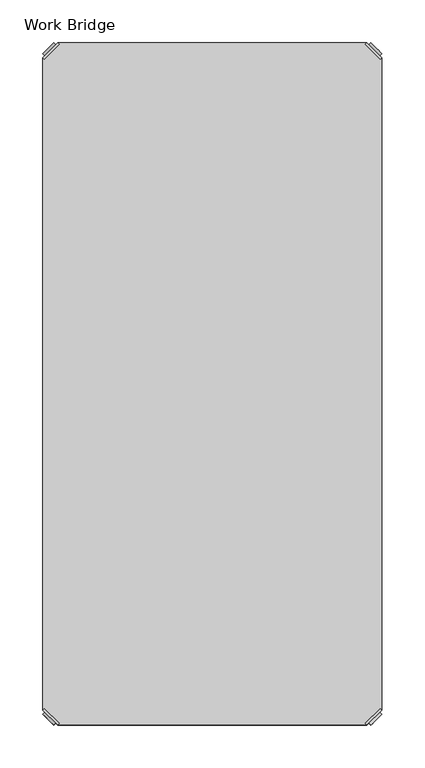
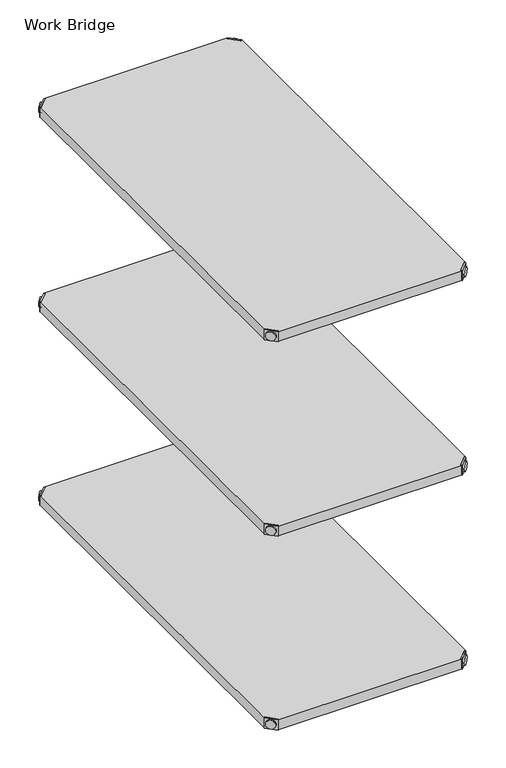
"""IFC4 building model written with IfcOpenShell, lengths in millimetres: furniture geometry, Work Bridge."""

from ifc_helpers import new_model, si_unit, frame, origin, place, context, project, spatial, polyline, circle_curve, outline, extrude, source, transform, mapped, element, save
from ifc_brep_helpers import plane_surface, cylinder_surface, advanced_brep


def work_bridge_ccaf46c0(model_context):
    return source(origin(), model_context, "Body", "SolidModel", [
        advanced_brep(
        [(1623.7077642, -801.2920969, 520.2936), (1640.9306674, -818.515, 520.2936), (1642.7267186, -816.7189488, 520.2936), (1625.5038155, -799.4960456, 520.2936), (1623.7077642, -801.2920969, 498.9576), (1640.9306674, -818.515, 498.9576), (1626.0330365, -803.6173691, 510.1336), (1638.6053951, -816.1897277, 510.1336), (1651.4598164, -773.5400447, 499.9736), (1625.5038155, -799.4960456, 499.9736), (1642.7267186, -816.7189488, 499.9736), (1668.6827196, -790.7629478, 499.9736), (1651.4598164, -773.5400447, 498.9576), (1668.6827196, -790.7629478, 498.9576), (1636.2905156, -818.5046073, 510.1336), (1623.718157, -805.9322487, 510.1336)],
        [
            (0, 1),
            (1, 2),
            (2, 3),
            (3, 0),
            (0, 4),
            (4, 5),
            (5, 1),
            (6, 7, circle_curve(frame((1632.3192158, -809.9035484, 510.1336), z_axis=(0.7071067811865446, 0.7071067811865505, 0.0), x_axis=(-0.7071067811865505, 0.7071067811865446, 0.0)), 8.89)),
            (7, 6, circle_curve(frame((1632.3192158, -809.9035484, 510.1336), z_axis=(0.7071067811865446, 0.7071067811865505, 0.0), x_axis=(-0.7071067811865505, 0.7071067811865446, 0.0)), 8.89)),
            (8, 9),
            (9, 10),
            (10, 11),
            (11, 8, circle_curve(frame((1660.071268, -782.1514963, 499.9736), z_axis=(0.0, 0.0, 1.0), x_axis=(1.0, 0.0, 0.0)), 12.1784316)),
            (12, 13, circle_curve(frame((1660.071268, -782.1514963, 498.9576), z_axis=(0.0, 0.0, -1.0), x_axis=(1.0, 0.0, 0.0)), 12.1784316)),
            (13, 5),
            (4, 12),
            (14, 15, circle_curve(frame((1630.0043363, -812.218428, 510.1336), z_axis=(-0.7071067811865446, -0.7071067811865505, 0.0), x_axis=(-0.7071067811865505, 0.7071067811865446, 0.0)), 8.89)),
            (15, 14, circle_curve(frame((1630.0043363, -812.218428, 510.1336), z_axis=(-0.7071067811865446, -0.7071067811865505, 0.0), x_axis=(-0.7071067811865505, 0.7071067811865446, 0.0)), 8.89)),
            (15, 6),
            (7, 14),
            (2, 10),
            (9, 3),
            (11, 13),
            (12, 8),
        ],
        [
            plane_surface(frame((1601.5097771, -823.490084, 520.2936), z_axis=(0.0, 0.0, 1.0000000000000002), x_axis=(0.7071067811865436, 0.7071067811865516, 0.0))),
            plane_surface(frame((1640.9306674, -818.515, 520.2936), z_axis=(-0.7071067811865447, -0.7071067811865503, 0.0), x_axis=(0.0, 0.0, -1.0))),
            plane_surface(frame((1672.2496996, -782.1514963, 499.9736), z_axis=(0.0, 0.0, 1.0), x_axis=(0.0, -1.0, 0.0))),
            plane_surface(frame((1672.2496996, -782.1514963, 498.9576), z_axis=(0.0, 0.0, -1.0), x_axis=(0.0, 1.0, 0.0))),
            plane_surface(frame((1623.718157, -805.9322487, 510.1336), z_axis=(-0.7071067811865446, -0.7071067811865505, 0.0), x_axis=(0.0, 0.0, 1.0))),
            cylinder_surface(frame((1632.3192158, -809.9035484, 510.1336), z_axis=(-0.7071067811865446, -0.7071067811865505, 0.0), x_axis=(-0.7071067811865505, 0.7071067811865446, 0.0)), 8.89),
            plane_surface(frame((1625.5038155, -799.4960456, 520.2936), z_axis=(0.7071067811865447, 0.7071067811865503, 0.0), x_axis=(0.0, 0.0, -1.0))),
            cylinder_surface(frame((1660.071268, -782.1514963, 498.9576), z_axis=(0.0, 0.0, 1.0), x_axis=(1.0, 0.0, 0.0)), 12.1784316),
            plane_surface(frame((1623.7077642, -801.2920969, 520.2936), z_axis=(-0.7071067811865516, 0.7071067811865436, 0.0), x_axis=(0.0, 0.0, -1.0))),
            plane_surface(frame((1642.7267186, -816.7189488, 520.2936), z_axis=(0.7071067811865513, -0.7071067811865437, 0.0), x_axis=(0.0, 0.0, -1.0))),
        ],
        [
            (0, [[1, 2, 3, 4]]),
            (1, [[5, 6, 7, -1], [8, 9]]),
            (2, [[10, 11, 12, 13]]),
            (3, [[14, 15, -6, 16]]),
            (4, [[17, 18]]),
            (5, [[19, -9, 20, -18]]),
            (5, [[-20, -8, -19, -17]]),
            (6, [[21, -11, 22, -3]]),
            (7, [[23, -14, 24, -13]]),
            (8, [[-22, -10, -24, -16, -5, -4]]),
            (9, [[-7, -15, -23, -12, -21, -2]]),
        ],
    ),
        advanced_brep(
        [(2018.6777642, -801.2920969, 520.2936), (2016.881713, -799.4960456, 520.2936), (1999.6588099, -816.7189488, 520.2936), (2001.4548611, -818.515, 520.2936), (2001.4548611, -818.515, 498.9576), (2018.6777642, -801.2920969, 498.9576), (2016.352492, -803.6173691, 510.1336), (2003.7801334, -816.1897277, 510.1336), (1990.9257121, -773.5400447, 499.9736), (1973.7028089, -790.7629478, 499.9736), (1999.6588099, -816.7189488, 499.9736), (2016.881713, -799.4960456, 499.9736), (1990.9257121, -773.5400447, 498.9576), (1973.7028089, -790.7629478, 498.9576), (2006.0950129, -818.5046073, 510.1336), (2018.6673715, -805.9322487, 510.1336)],
        [
            (0, 1),
            (1, 2),
            (2, 3),
            (3, 0),
            (3, 4),
            (4, 5),
            (5, 0),
            (6, 7, circle_curve(frame((2010.0663127, -809.9035484, 510.1336), z_axis=(-0.7071067811865446, 0.7071067811865505, 0.0), x_axis=(0.7071067811865505, 0.7071067811865446, 0.0)), 8.89)),
            (7, 6, circle_curve(frame((2010.0663127, -809.9035484, 510.1336), z_axis=(-0.7071067811865446, 0.7071067811865505, 0.0), x_axis=(0.7071067811865505, 0.7071067811865446, 0.0)), 8.89)),
            (8, 9, circle_curve(frame((1982.3142605, -782.1514963, 499.9736), z_axis=(0.0, 0.0, 1.0), x_axis=(-1.0, 0.0, 0.0)), 12.1784316)),
            (9, 10),
            (10, 11),
            (11, 8),
            (12, 5),
            (4, 13),
            (13, 12, circle_curve(frame((1982.3142605, -782.1514963, 498.9576), z_axis=(0.0, 0.0, -1.0), x_axis=(-1.0, 0.0, 0.0)), 12.1784316)),
            (14, 15, circle_curve(frame((2012.3811922, -812.218428, 510.1336), z_axis=(0.7071067811865446, -0.7071067811865505, 0.0), x_axis=(0.7071067811865505, 0.7071067811865446, 0.0)), 8.89)),
            (15, 14, circle_curve(frame((2012.3811922, -812.218428, 510.1336), z_axis=(0.7071067811865446, -0.7071067811865505, 0.0), x_axis=(0.7071067811865505, 0.7071067811865446, 0.0)), 8.89)),
            (14, 7),
            (6, 15),
            (1, 11),
            (10, 2),
            (8, 12),
            (13, 9),
        ],
        [
            plane_surface(frame((2040.8757514, -823.490084, 520.2936), z_axis=(0.0, 0.0, 1.0000000000000002), x_axis=(-0.7071067811865436, 0.7071067811865516, 0.0))),
            plane_surface(frame((2001.4548611, -818.515, 520.2936), z_axis=(0.7071067811865447, -0.7071067811865503, 0.0), x_axis=(0.0, 0.0, -1.0))),
            plane_surface(frame((1970.1358289, -782.1514963, 499.9736), z_axis=(0.0, 0.0, 1.0), x_axis=(0.0, -1.0, 0.0))),
            plane_surface(frame((1970.1358289, -782.1514963, 498.9576), z_axis=(0.0, 0.0, -1.0), x_axis=(0.0, 1.0, 0.0))),
            plane_surface(frame((2018.6673715, -805.9322487, 510.1336), z_axis=(0.7071067811865446, -0.7071067811865505, 0.0), x_axis=(0.0, 0.0, 1.0))),
            cylinder_surface(frame((2010.0663127, -809.9035484, 510.1336), z_axis=(0.7071067811865446, -0.7071067811865505, 0.0), x_axis=(0.7071067811865505, 0.7071067811865446, 0.0)), 8.89),
            plane_surface(frame((2016.881713, -799.4960456, 520.2936), z_axis=(-0.7071067811865447, 0.7071067811865503, 0.0), x_axis=(0.0, 0.0, -1.0))),
            cylinder_surface(frame((1982.3142605, -782.1514963, 498.9576), z_axis=(0.0, 0.0, 1.0), x_axis=(-1.0, 0.0, 0.0)), 12.1784316),
            plane_surface(frame((2018.6777642, -801.2920969, 520.2936), z_axis=(0.7071067811865516, 0.7071067811865436, 0.0), x_axis=(0.0, 0.0, -1.0))),
            plane_surface(frame((1999.6588099, -816.7189488, 520.2936), z_axis=(-0.7071067811865513, -0.7071067811865437, 0.0), x_axis=(0.0, 0.0, -1.0))),
        ],
        [
            (0, [[1, 2, 3, 4]]),
            (1, [[-4, 5, 6, 7], [8, 9]]),
            (2, [[10, 11, 12, 13]]),
            (3, [[14, -6, 15, 16]]),
            (4, [[17, 18]]),
            (5, [[-17, 19, -8, 20]]),
            (5, [[-18, -20, -9, -19]]),
            (6, [[-2, 21, -12, 22]]),
            (7, [[-10, 23, -16, 24]]),
            (8, [[-1, -7, -14, -23, -13, -21]]),
            (9, [[-3, -22, -11, -24, -15, -5]]),
        ],
    ),
        advanced_brep(
        [(2018.6777642, -40.7179031, 520.2936), (2001.4548611, -23.495, 520.2936), (1999.6588099, -25.2910512, 520.2936), (2016.881713, -42.5139544, 520.2936), (2018.6777642, -40.7179031, 498.9576), (2001.4548611, -23.495, 498.9576), (2016.352492, -38.3926309, 510.1336), (2003.7801334, -25.8202723, 510.1336), (1990.9257121, -68.4699553, 499.9736), (2016.881713, -42.5139544, 499.9736), (1999.6588099, -25.2910512, 499.9736), (1973.7028089, -51.2470522, 499.9736), (1990.9257121, -68.4699553, 498.9576), (1973.7028089, -51.2470522, 498.9576), (2006.0950129, -23.5053927, 510.1336), (2018.6673715, -36.0777513, 510.1336)],
        [
            (0, 1),
            (1, 2),
            (2, 3),
            (3, 0),
            (0, 4),
            (4, 5),
            (5, 1),
            (6, 7, circle_curve(frame((2010.0663127, -32.1064516, 510.1336), z_axis=(-0.7071067811865469, -0.7071067811865481, 0.0), x_axis=(0.7071067811865481, -0.7071067811865469, 0.0)), 8.89)),
            (7, 6, circle_curve(frame((2010.0663127, -32.1064516, 510.1336), z_axis=(-0.7071067811865469, -0.7071067811865481, 0.0), x_axis=(0.7071067811865481, -0.7071067811865469, 0.0)), 8.89)),
            (8, 9),
            (9, 10),
            (10, 11),
            (11, 8, circle_curve(frame((1982.3142605, -59.8585037, 499.9736), z_axis=(0.0, 0.0, 1.0), x_axis=(-1.0, 0.0, 0.0)), 12.1784316)),
            (12, 13, circle_curve(frame((1982.3142605, -59.8585037, 498.9576), z_axis=(0.0, 0.0, -1.0), x_axis=(-1.0, 0.0, 0.0)), 12.1784316)),
            (13, 5),
            (4, 12),
            (14, 15, circle_curve(frame((2012.3811922, -29.791572, 510.1336), z_axis=(0.7071067811865469, 0.7071067811865481, 0.0), x_axis=(0.7071067811865481, -0.7071067811865469, 0.0)), 8.89)),
            (15, 14, circle_curve(frame((2012.3811922, -29.791572, 510.1336), z_axis=(0.7071067811865469, 0.7071067811865481, 0.0), x_axis=(0.7071067811865481, -0.7071067811865469, 0.0)), 8.89)),
            (15, 6),
            (7, 14),
            (2, 10),
            (9, 3),
            (11, 13),
            (12, 8),
        ],
        [
            plane_surface(frame((2040.8757514, -18.519916, 520.2936), z_axis=(0.0, 0.0, 1.0000000000000002), x_axis=(-0.7071067811865459, -0.7071067811865492, 0.0))),
            plane_surface(frame((2001.4548611, -23.495, 520.2936), z_axis=(0.707106781186547, 0.707106781186548, 0.0), x_axis=(0.0, 0.0, -1.0))),
            plane_surface(frame((1970.1358289, -59.8585037, 499.9736), z_axis=(0.0, 0.0, 1.0), x_axis=(0.0, 1.0, 0.0))),
            plane_surface(frame((1970.1358289, -59.8585037, 498.9576), z_axis=(0.0, 0.0, -1.0), x_axis=(0.0, -1.0, 0.0))),
            plane_surface(frame((2018.6673715, -36.0777513, 510.1336), z_axis=(0.7071067811865469, 0.7071067811865481, 0.0), x_axis=(0.0, 0.0, 1.0))),
            cylinder_surface(frame((2010.0663127, -32.1064516, 510.1336), z_axis=(0.7071067811865469, 0.7071067811865481, 0.0), x_axis=(0.7071067811865481, -0.7071067811865469, 0.0)), 8.89),
            plane_surface(frame((2016.881713, -42.5139544, 520.2936), z_axis=(-0.707106781186547, -0.707106781186548, 0.0), x_axis=(0.0, 0.0, -1.0))),
            cylinder_surface(frame((1982.3142605, -59.8585037, 498.9576), z_axis=(0.0, 0.0, 1.0), x_axis=(-1.0, 0.0, 0.0)), 12.1784316),
            plane_surface(frame((2018.6777642, -40.7179031, 520.2936), z_axis=(0.7071067811865492, -0.7071067811865459, 0.0), x_axis=(0.0, 0.0, -1.0))),
            plane_surface(frame((1999.6588099, -25.2910512, 520.2936), z_axis=(-0.707106781186549, 0.707106781186546, 0.0), x_axis=(0.0, 0.0, -1.0))),
        ],
        [
            (0, [[1, 2, 3, 4]]),
            (1, [[5, 6, 7, -1], [8, 9]]),
            (2, [[10, 11, 12, 13]]),
            (3, [[14, 15, -6, 16]]),
            (4, [[17, 18]]),
            (5, [[19, -9, 20, -18]]),
            (5, [[-20, -8, -19, -17]]),
            (6, [[21, -11, 22, -3]]),
            (7, [[23, -14, 24, -13]]),
            (8, [[-22, -10, -24, -16, -5, -4]]),
            (9, [[-7, -15, -23, -12, -21, -2]]),
        ],
    ),
        advanced_brep(
        [(1623.7077642, -40.7179031, 520.2936), (1625.5038155, -42.5139544, 520.2936), (1642.7267186, -25.2910512, 520.2936), (1640.9306674, -23.495, 520.2936), (1640.9306674, -23.495, 498.9576), (1623.7077642, -40.7179031, 498.9576), (1626.0330365, -38.3926309, 510.1336), (1638.6053951, -25.8202723, 510.1336), (1651.4598164, -68.4699553, 499.9736), (1668.6827196, -51.2470522, 499.9736), (1642.7267186, -25.2910512, 499.9736), (1625.5038155, -42.5139544, 499.9736), (1651.4598164, -68.4699553, 498.9576), (1668.6827196, -51.2470522, 498.9576), (1636.2905156, -23.5053927, 510.1336), (1623.718157, -36.0777513, 510.1336)],
        [
            (0, 1),
            (1, 2),
            (2, 3),
            (3, 0),
            (3, 4),
            (4, 5),
            (5, 0),
            (6, 7, circle_curve(frame((1632.3192158, -32.1064516, 510.1336), z_axis=(0.7071067811865469, -0.7071067811865481, 0.0), x_axis=(-0.7071067811865481, -0.7071067811865469, 0.0)), 8.89)),
            (7, 6, circle_curve(frame((1632.3192158, -32.1064516, 510.1336), z_axis=(0.7071067811865469, -0.7071067811865481, 0.0), x_axis=(-0.7071067811865481, -0.7071067811865469, 0.0)), 8.89)),
            (8, 9, circle_curve(frame((1660.071268, -59.8585037, 499.9736), z_axis=(0.0, 0.0, 1.0), x_axis=(1.0, 0.0, 0.0)), 12.1784316)),
            (9, 10),
            (10, 11),
            (11, 8),
            (12, 5),
            (4, 13),
            (13, 12, circle_curve(frame((1660.071268, -59.8585037, 498.9576), z_axis=(0.0, 0.0, -1.0), x_axis=(1.0, 0.0, 0.0)), 12.1784316)),
            (14, 15, circle_curve(frame((1630.0043363, -29.791572, 510.1336), z_axis=(-0.7071067811865469, 0.7071067811865481, 0.0), x_axis=(-0.7071067811865481, -0.7071067811865469, 0.0)), 8.89)),
            (15, 14, circle_curve(frame((1630.0043363, -29.791572, 510.1336), z_axis=(-0.7071067811865469, 0.7071067811865481, 0.0), x_axis=(-0.7071067811865481, -0.7071067811865469, 0.0)), 8.89)),
            (14, 7),
            (6, 15),
            (1, 11),
            (10, 2),
            (8, 12),
            (13, 9),
        ],
        [
            plane_surface(frame((1601.5097771, -18.519916, 520.2936), z_axis=(0.0, 0.0, 1.0000000000000002), x_axis=(0.7071067811865459, -0.7071067811865492, 0.0))),
            plane_surface(frame((1640.9306674, -23.495, 520.2936), z_axis=(-0.707106781186547, 0.707106781186548, 0.0), x_axis=(0.0, 0.0, -1.0))),
            plane_surface(frame((1672.2496996, -59.8585037, 499.9736), z_axis=(0.0, 0.0, 1.0), x_axis=(0.0, 1.0, 0.0))),
            plane_surface(frame((1672.2496996, -59.8585037, 498.9576), z_axis=(0.0, 0.0, -1.0), x_axis=(0.0, -1.0, 0.0))),
            plane_surface(frame((1623.718157, -36.0777513, 510.1336), z_axis=(-0.7071067811865469, 0.7071067811865481, 0.0), x_axis=(0.0, 0.0, 1.0))),
            cylinder_surface(frame((1632.3192158, -32.1064516, 510.1336), z_axis=(-0.7071067811865469, 0.7071067811865481, 0.0), x_axis=(-0.7071067811865481, -0.7071067811865469, 0.0)), 8.89),
            plane_surface(frame((1625.5038155, -42.5139544, 520.2936), z_axis=(0.707106781186547, -0.707106781186548, 0.0), x_axis=(0.0, 0.0, -1.0))),
            cylinder_surface(frame((1660.071268, -59.8585037, 498.9576), z_axis=(0.0, 0.0, 1.0), x_axis=(1.0, 0.0, 0.0)), 12.1784316),
            plane_surface(frame((1623.7077642, -40.7179031, 520.2936), z_axis=(-0.7071067811865492, -0.7071067811865459, 0.0), x_axis=(0.0, 0.0, -1.0))),
            plane_surface(frame((1642.7267186, -25.2910512, 520.2936), z_axis=(0.707106781186549, 0.707106781186546, 0.0), x_axis=(0.0, 0.0, -1.0))),
        ],
        [
            (0, [[1, 2, 3, 4]]),
            (1, [[-4, 5, 6, 7], [8, 9]]),
            (2, [[10, 11, 12, 13]]),
            (3, [[14, -6, 15, 16]]),
            (4, [[17, 18]]),
            (5, [[-17, 19, -8, 20]]),
            (5, [[-18, -20, -9, -19]]),
            (6, [[-2, 21, -12, 22]]),
            (7, [[-10, 23, -16, 24]]),
            (8, [[-1, -7, -14, -23, -13, -21]]),
            (9, [[-3, -22, -11, -24, -15, -5]]),
        ],
    ),
        extrude(outline(polyline([(1640.9306674, -23.495), (2001.4548611, -23.495), (1999.6588099, -25.2910512), (2016.881713, -42.5139544), (2018.6777642, -40.7179031), (2018.6777642, -801.2920969), (2016.881713, -799.4960456), (1999.6588099, -816.7189488), (2001.4548611, -818.515), (1640.9306674, -818.515), (1642.7267186, -816.7189488), (1625.5038155, -799.4960456), (1623.7077642, -801.2920969), (1623.7077642, -40.7179031), (1625.5038155, -42.5139544), (1642.7267186, -25.2910512), (1640.9306674, -23.495)])), frame((0.0, 0.0, 499.9736), z_axis=(0.0, 0.0, 1.0), x_axis=(1.0, 0.0, 0.0)), (0.0, 0.0, 1.0), 20.32),
        advanced_brep(
        [(1623.7077642, -801.2920969, 923.29), (1640.9306674, -818.515, 923.29), (1642.7267186, -816.7189488, 923.29), (1625.5038155, -799.4960456, 923.29), (1623.7077642, -801.2920969, 901.954), (1640.9306674, -818.515, 901.954), (1626.0330365, -803.6173691, 913.13), (1638.6053951, -816.1897277, 913.13), (1651.4598164, -773.5400447, 902.97), (1625.5038155, -799.4960456, 902.97), (1642.7267186, -816.7189488, 902.97), (1668.6827196, -790.7629478, 902.97), (1651.4598164, -773.5400447, 901.954), (1668.6827196, -790.7629478, 901.954), (1636.2905156, -818.5046073, 913.13), (1623.718157, -805.9322487, 913.13)],
        [
            (0, 1),
            (1, 2),
            (2, 3),
            (3, 0),
            (0, 4),
            (4, 5),
            (5, 1),
            (6, 7, circle_curve(frame((1632.3192158, -809.9035484, 913.13), z_axis=(0.7071067811865446, 0.7071067811865505, 0.0), x_axis=(-0.7071067811865505, 0.7071067811865446, 0.0)), 8.89)),
            (7, 6, circle_curve(frame((1632.3192158, -809.9035484, 913.13), z_axis=(0.7071067811865446, 0.7071067811865505, 0.0), x_axis=(-0.7071067811865505, 0.7071067811865446, 0.0)), 8.89)),
            (8, 9),
            (9, 10),
            (10, 11),
            (11, 8, circle_curve(frame((1660.071268, -782.1514963, 902.97), z_axis=(0.0, 0.0, 1.0), x_axis=(1.0, 0.0, 0.0)), 12.1784316)),
            (12, 13, circle_curve(frame((1660.071268, -782.1514963, 901.954), z_axis=(0.0, 0.0, -1.0), x_axis=(1.0, 0.0, 0.0)), 12.1784316)),
            (13, 5),
            (4, 12),
            (14, 15, circle_curve(frame((1630.0043363, -812.218428, 913.13), z_axis=(-0.7071067811865446, -0.7071067811865505, 0.0), x_axis=(-0.7071067811865505, 0.7071067811865446, 0.0)), 8.89)),
            (15, 14, circle_curve(frame((1630.0043363, -812.218428, 913.13), z_axis=(-0.7071067811865446, -0.7071067811865505, 0.0), x_axis=(-0.7071067811865505, 0.7071067811865446, 0.0)), 8.89)),
            (15, 6),
            (7, 14),
            (2, 10),
            (9, 3),
            (11, 13),
            (12, 8),
        ],
        [
            plane_surface(frame((1601.5097771, -823.490084, 923.29), z_axis=(0.0, 0.0, 1.0000000000000002), x_axis=(0.7071067811865436, 0.7071067811865516, 0.0))),
            plane_surface(frame((1640.9306674, -818.515, 923.29), z_axis=(-0.7071067811865447, -0.7071067811865503, 0.0), x_axis=(0.0, 0.0, -1.0))),
            plane_surface(frame((1672.2496996, -782.1514963, 902.97), z_axis=(0.0, 0.0, 1.0), x_axis=(0.0, -1.0, 0.0))),
            plane_surface(frame((1672.2496996, -782.1514963, 901.954), z_axis=(0.0, 0.0, -1.0), x_axis=(0.0, 1.0, 0.0))),
            plane_surface(frame((1623.718157, -805.9322487, 913.13), z_axis=(-0.7071067811865446, -0.7071067811865505, 0.0), x_axis=(0.0, 0.0, 1.0))),
            cylinder_surface(frame((1632.3192158, -809.9035484, 913.13), z_axis=(-0.7071067811865446, -0.7071067811865505, 0.0), x_axis=(-0.7071067811865505, 0.7071067811865446, 0.0)), 8.89),
            plane_surface(frame((1625.5038155, -799.4960456, 923.29), z_axis=(0.7071067811865447, 0.7071067811865503, 0.0), x_axis=(0.0, 0.0, -1.0))),
            cylinder_surface(frame((1660.071268, -782.1514963, 901.954), z_axis=(0.0, 0.0, 1.0), x_axis=(1.0, 0.0, 0.0)), 12.1784316),
            plane_surface(frame((1623.7077642, -801.2920969, 923.29), z_axis=(-0.7071067811865516, 0.7071067811865436, 0.0), x_axis=(0.0, 0.0, -1.0))),
            plane_surface(frame((1642.7267186, -816.7189488, 923.29), z_axis=(0.7071067811865513, -0.7071067811865437, 0.0), x_axis=(0.0, 0.0, -1.0))),
        ],
        [
            (0, [[1, 2, 3, 4]]),
            (1, [[5, 6, 7, -1], [8, 9]]),
            (2, [[10, 11, 12, 13]]),
            (3, [[14, 15, -6, 16]]),
            (4, [[17, 18]]),
            (5, [[19, -9, 20, -18]]),
            (5, [[-20, -8, -19, -17]]),
            (6, [[21, -11, 22, -3]]),
            (7, [[23, -14, 24, -13]]),
            (8, [[-22, -10, -24, -16, -5, -4]]),
            (9, [[-7, -15, -23, -12, -21, -2]]),
        ],
    ),
        advanced_brep(
        [(2018.6777642, -801.2920969, 923.29), (2016.881713, -799.4960456, 923.29), (1999.6588099, -816.7189488, 923.29), (2001.4548611, -818.515, 923.29), (2001.4548611, -818.515, 901.954), (2018.6777642, -801.2920969, 901.954), (2016.352492, -803.6173691, 913.13), (2003.7801334, -816.1897277, 913.13), (1990.9257121, -773.5400447, 902.97), (1973.7028089, -790.7629478, 902.97), (1999.6588099, -816.7189488, 902.97), (2016.881713, -799.4960456, 902.97), (1990.9257121, -773.5400447, 901.954), (1973.7028089, -790.7629478, 901.954), (2006.0950129, -818.5046073, 913.13), (2018.6673715, -805.9322487, 913.13)],
        [
            (0, 1),
            (1, 2),
            (2, 3),
            (3, 0),
            (3, 4),
            (4, 5),
            (5, 0),
            (6, 7, circle_curve(frame((2010.0663127, -809.9035484, 913.13), z_axis=(-0.7071067811865446, 0.7071067811865505, 0.0), x_axis=(0.7071067811865505, 0.7071067811865446, 0.0)), 8.89)),
            (7, 6, circle_curve(frame((2010.0663127, -809.9035484, 913.13), z_axis=(-0.7071067811865446, 0.7071067811865505, 0.0), x_axis=(0.7071067811865505, 0.7071067811865446, 0.0)), 8.89)),
            (8, 9, circle_curve(frame((1982.3142605, -782.1514963, 902.97), z_axis=(0.0, 0.0, 1.0), x_axis=(-1.0, 0.0, 0.0)), 12.1784316)),
            (9, 10),
            (10, 11),
            (11, 8),
            (12, 5),
            (4, 13),
            (13, 12, circle_curve(frame((1982.3142605, -782.1514963, 901.954), z_axis=(0.0, 0.0, -1.0), x_axis=(-1.0, 0.0, 0.0)), 12.1784316)),
            (14, 15, circle_curve(frame((2012.3811922, -812.218428, 913.13), z_axis=(0.7071067811865446, -0.7071067811865505, 0.0), x_axis=(0.7071067811865505, 0.7071067811865446, 0.0)), 8.89)),
            (15, 14, circle_curve(frame((2012.3811922, -812.218428, 913.13), z_axis=(0.7071067811865446, -0.7071067811865505, 0.0), x_axis=(0.7071067811865505, 0.7071067811865446, 0.0)), 8.89)),
            (14, 7),
            (6, 15),
            (1, 11),
            (10, 2),
            (8, 12),
            (13, 9),
        ],
        [
            plane_surface(frame((2040.8757514, -823.490084, 923.29), z_axis=(0.0, 0.0, 1.0000000000000002), x_axis=(-0.7071067811865436, 0.7071067811865516, 0.0))),
            plane_surface(frame((2001.4548611, -818.515, 923.29), z_axis=(0.7071067811865447, -0.7071067811865503, 0.0), x_axis=(0.0, 0.0, -1.0))),
            plane_surface(frame((1970.1358289, -782.1514963, 902.97), z_axis=(0.0, 0.0, 1.0), x_axis=(0.0, -1.0, 0.0))),
            plane_surface(frame((1970.1358289, -782.1514963, 901.954), z_axis=(0.0, 0.0, -1.0), x_axis=(0.0, 1.0, 0.0))),
            plane_surface(frame((2018.6673715, -805.9322487, 913.13), z_axis=(0.7071067811865446, -0.7071067811865505, 0.0), x_axis=(0.0, 0.0, 1.0))),
            cylinder_surface(frame((2010.0663127, -809.9035484, 913.13), z_axis=(0.7071067811865446, -0.7071067811865505, 0.0), x_axis=(0.7071067811865505, 0.7071067811865446, 0.0)), 8.89),
            plane_surface(frame((2016.881713, -799.4960456, 923.29), z_axis=(-0.7071067811865447, 0.7071067811865503, 0.0), x_axis=(0.0, 0.0, -1.0))),
            cylinder_surface(frame((1982.3142605, -782.1514963, 901.954), z_axis=(0.0, 0.0, 1.0), x_axis=(-1.0, 0.0, 0.0)), 12.1784316),
            plane_surface(frame((2018.6777642, -801.2920969, 923.29), z_axis=(0.7071067811865516, 0.7071067811865436, 0.0), x_axis=(0.0, 0.0, -1.0))),
            plane_surface(frame((1999.6588099, -816.7189488, 923.29), z_axis=(-0.7071067811865513, -0.7071067811865437, 0.0), x_axis=(0.0, 0.0, -1.0))),
        ],
        [
            (0, [[1, 2, 3, 4]]),
            (1, [[-4, 5, 6, 7], [8, 9]]),
            (2, [[10, 11, 12, 13]]),
            (3, [[14, -6, 15, 16]]),
            (4, [[17, 18]]),
            (5, [[-17, 19, -8, 20]]),
            (5, [[-18, -20, -9, -19]]),
            (6, [[-2, 21, -12, 22]]),
            (7, [[-10, 23, -16, 24]]),
            (8, [[-1, -7, -14, -23, -13, -21]]),
            (9, [[-3, -22, -11, -24, -15, -5]]),
        ],
    ),
        advanced_brep(
        [(2018.6777642, -40.7179031, 923.29), (2001.4548611, -23.495, 923.29), (1999.6588099, -25.2910512, 923.29), (2016.881713, -42.5139544, 923.29), (2018.6777642, -40.7179031, 901.954), (2001.4548611, -23.495, 901.954), (2016.352492, -38.3926309, 913.13), (2003.7801334, -25.8202723, 913.13), (1990.9257121, -68.4699553, 902.97), (2016.881713, -42.5139544, 902.97), (1999.6588099, -25.2910512, 902.97), (1973.7028089, -51.2470522, 902.97), (1990.9257121, -68.4699553, 901.954), (1973.7028089, -51.2470522, 901.954), (2006.0950129, -23.5053927, 913.13), (2018.6673715, -36.0777513, 913.13)],
        [
            (0, 1),
            (1, 2),
            (2, 3),
            (3, 0),
            (0, 4),
            (4, 5),
            (5, 1),
            (6, 7, circle_curve(frame((2010.0663127, -32.1064516, 913.13), z_axis=(-0.7071067811865469, -0.7071067811865481, 0.0), x_axis=(0.7071067811865481, -0.7071067811865469, 0.0)), 8.89)),
            (7, 6, circle_curve(frame((2010.0663127, -32.1064516, 913.13), z_axis=(-0.7071067811865469, -0.7071067811865481, 0.0), x_axis=(0.7071067811865481, -0.7071067811865469, 0.0)), 8.89)),
            (8, 9),
            (9, 10),
            (10, 11),
            (11, 8, circle_curve(frame((1982.3142605, -59.8585037, 902.97), z_axis=(0.0, 0.0, 1.0), x_axis=(-1.0, 0.0, 0.0)), 12.1784316)),
            (12, 13, circle_curve(frame((1982.3142605, -59.8585037, 901.954), z_axis=(0.0, 0.0, -1.0), x_axis=(-1.0, 0.0, 0.0)), 12.1784316)),
            (13, 5),
            (4, 12),
            (14, 15, circle_curve(frame((2012.3811922, -29.791572, 913.13), z_axis=(0.7071067811865469, 0.7071067811865481, 0.0), x_axis=(0.7071067811865481, -0.7071067811865469, 0.0)), 8.89)),
            (15, 14, circle_curve(frame((2012.3811922, -29.791572, 913.13), z_axis=(0.7071067811865469, 0.7071067811865481, 0.0), x_axis=(0.7071067811865481, -0.7071067811865469, 0.0)), 8.89)),
            (15, 6),
            (7, 14),
            (2, 10),
            (9, 3),
            (11, 13),
            (12, 8),
        ],
        [
            plane_surface(frame((2040.8757514, -18.519916, 923.29), z_axis=(0.0, 0.0, 1.0000000000000002), x_axis=(-0.7071067811865459, -0.7071067811865492, 0.0))),
            plane_surface(frame((2001.4548611, -23.495, 923.29), z_axis=(0.707106781186547, 0.707106781186548, 0.0), x_axis=(0.0, 0.0, -1.0))),
            plane_surface(frame((1970.1358289, -59.8585037, 902.97), z_axis=(0.0, 0.0, 1.0), x_axis=(0.0, 1.0, 0.0))),
            plane_surface(frame((1970.1358289, -59.8585037, 901.954), z_axis=(0.0, 0.0, -1.0), x_axis=(0.0, -1.0, 0.0))),
            plane_surface(frame((2018.6673715, -36.0777513, 913.13), z_axis=(0.7071067811865469, 0.7071067811865481, 0.0), x_axis=(0.0, 0.0, 1.0))),
            cylinder_surface(frame((2010.0663127, -32.1064516, 913.13), z_axis=(0.7071067811865469, 0.7071067811865481, 0.0), x_axis=(0.7071067811865481, -0.7071067811865469, 0.0)), 8.89),
            plane_surface(frame((2016.881713, -42.5139544, 923.29), z_axis=(-0.707106781186547, -0.707106781186548, 0.0), x_axis=(0.0, 0.0, -1.0))),
            cylinder_surface(frame((1982.3142605, -59.8585037, 901.954), z_axis=(0.0, 0.0, 1.0), x_axis=(-1.0, 0.0, 0.0)), 12.1784316),
            plane_surface(frame((2018.6777642, -40.7179031, 923.29), z_axis=(0.7071067811865492, -0.7071067811865459, 0.0), x_axis=(0.0, 0.0, -1.0))),
            plane_surface(frame((1999.6588099, -25.2910512, 923.29), z_axis=(-0.707106781186549, 0.707106781186546, 0.0), x_axis=(0.0, 0.0, -1.0))),
        ],
        [
            (0, [[1, 2, 3, 4]]),
            (1, [[5, 6, 7, -1], [8, 9]]),
            (2, [[10, 11, 12, 13]]),
            (3, [[14, 15, -6, 16]]),
            (4, [[17, 18]]),
            (5, [[19, -9, 20, -18]]),
            (5, [[-20, -8, -19, -17]]),
            (6, [[21, -11, 22, -3]]),
            (7, [[23, -14, 24, -13]]),
            (8, [[-22, -10, -24, -16, -5, -4]]),
            (9, [[-7, -15, -23, -12, -21, -2]]),
        ],
    ),
        advanced_brep(
        [(1623.7077642, -40.7179031, 923.29), (1625.5038155, -42.5139544, 923.29), (1642.7267186, -25.2910512, 923.29), (1640.9306674, -23.495, 923.29), (1640.9306674, -23.495, 901.954), (1623.7077642, -40.7179031, 901.954), (1626.0330365, -38.3926309, 913.13), (1638.6053951, -25.8202723, 913.13), (1651.4598164, -68.4699553, 902.97), (1668.6827196, -51.2470522, 902.97), (1642.7267186, -25.2910512, 902.97), (1625.5038155, -42.5139544, 902.97), (1651.4598164, -68.4699553, 901.954), (1668.6827196, -51.2470522, 901.954), (1636.2905156, -23.5053927, 913.13), (1623.718157, -36.0777513, 913.13)],
        [
            (0, 1),
            (1, 2),
            (2, 3),
            (3, 0),
            (3, 4),
            (4, 5),
            (5, 0),
            (6, 7, circle_curve(frame((1632.3192158, -32.1064516, 913.13), z_axis=(0.7071067811865469, -0.7071067811865481, 0.0), x_axis=(-0.7071067811865481, -0.7071067811865469, 0.0)), 8.89)),
            (7, 6, circle_curve(frame((1632.3192158, -32.1064516, 913.13), z_axis=(0.7071067811865469, -0.7071067811865481, 0.0), x_axis=(-0.7071067811865481, -0.7071067811865469, 0.0)), 8.89)),
            (8, 9, circle_curve(frame((1660.071268, -59.8585037, 902.97), z_axis=(0.0, 0.0, 1.0), x_axis=(1.0, 0.0, 0.0)), 12.1784316)),
            (9, 10),
            (10, 11),
            (11, 8),
            (12, 5),
            (4, 13),
            (13, 12, circle_curve(frame((1660.071268, -59.8585037, 901.954), z_axis=(0.0, 0.0, -1.0), x_axis=(1.0, 0.0, 0.0)), 12.1784316)),
            (14, 15, circle_curve(frame((1630.0043363, -29.791572, 913.13), z_axis=(-0.7071067811865469, 0.7071067811865481, 0.0), x_axis=(-0.7071067811865481, -0.7071067811865469, 0.0)), 8.89)),
            (15, 14, circle_curve(frame((1630.0043363, -29.791572, 913.13), z_axis=(-0.7071067811865469, 0.7071067811865481, 0.0), x_axis=(-0.7071067811865481, -0.7071067811865469, 0.0)), 8.89)),
            (14, 7),
            (6, 15),
            (1, 11),
            (10, 2),
            (8, 12),
            (13, 9),
        ],
        [
            plane_surface(frame((1601.5097771, -18.519916, 923.29), z_axis=(0.0, 0.0, 1.0000000000000002), x_axis=(0.7071067811865459, -0.7071067811865492, 0.0))),
            plane_surface(frame((1640.9306674, -23.495, 923.29), z_axis=(-0.707106781186547, 0.707106781186548, 0.0), x_axis=(0.0, 0.0, -1.0))),
            plane_surface(frame((1672.2496996, -59.8585037, 902.97), z_axis=(0.0, 0.0, 1.0), x_axis=(0.0, 1.0, 0.0))),
            plane_surface(frame((1672.2496996, -59.8585037, 901.954), z_axis=(0.0, 0.0, -1.0), x_axis=(0.0, -1.0, 0.0))),
            plane_surface(frame((1623.718157, -36.0777513, 913.13), z_axis=(-0.7071067811865469, 0.7071067811865481, 0.0), x_axis=(0.0, 0.0, 1.0))),
            cylinder_surface(frame((1632.3192158, -32.1064516, 913.13), z_axis=(-0.7071067811865469, 0.7071067811865481, 0.0), x_axis=(-0.7071067811865481, -0.7071067811865469, 0.0)), 8.89),
            plane_surface(frame((1625.5038155, -42.5139544, 923.29), z_axis=(0.707106781186547, -0.707106781186548, 0.0), x_axis=(0.0, 0.0, -1.0))),
            cylinder_surface(frame((1660.071268, -59.8585037, 901.954), z_axis=(0.0, 0.0, 1.0), x_axis=(1.0, 0.0, 0.0)), 12.1784316),
            plane_surface(frame((1623.7077642, -40.7179031, 923.29), z_axis=(-0.7071067811865492, -0.7071067811865459, 0.0), x_axis=(0.0, 0.0, -1.0))),
            plane_surface(frame((1642.7267186, -25.2910512, 923.29), z_axis=(0.707106781186549, 0.707106781186546, 0.0), x_axis=(0.0, 0.0, -1.0))),
        ],
        [
            (0, [[1, 2, 3, 4]]),
            (1, [[-4, 5, 6, 7], [8, 9]]),
            (2, [[10, 11, 12, 13]]),
            (3, [[14, -6, 15, 16]]),
            (4, [[17, 18]]),
            (5, [[-17, 19, -8, 20]]),
            (5, [[-18, -20, -9, -19]]),
            (6, [[-2, 21, -12, 22]]),
            (7, [[-10, 23, -16, 24]]),
            (8, [[-1, -7, -14, -23, -13, -21]]),
            (9, [[-3, -22, -11, -24, -15, -5]]),
        ],
    ),
        extrude(outline(polyline([(1640.9306674, -23.495), (2001.4548611, -23.495), (1999.6588099, -25.2910512), (2016.881713, -42.5139544), (2018.6777642, -40.7179031), (2018.6777642, -801.2920969), (2016.881713, -799.4960456), (1999.6588099, -816.7189488), (2001.4548611, -818.515), (1640.9306674, -818.515), (1642.7267186, -816.7189488), (1625.5038155, -799.4960456), (1623.7077642, -801.2920969), (1623.7077642, -40.7179031), (1625.5038155, -42.5139544), (1642.7267186, -25.2910512), (1640.9306674, -23.495)])), frame((0.0, 0.0, 902.97), z_axis=(0.0, 0.0, 1.0), x_axis=(1.0, 0.0, 0.0)), (0.0, 0.0, 1.0), 20.32),
        advanced_brep(
        [(1623.7077642, -801.2920969, 118.9736), (1640.9306674, -818.515, 118.9736), (1642.7267186, -816.7189488, 118.9736), (1625.5038155, -799.4960456, 118.9736), (1623.7077642, -801.2920969, 97.6376), (1640.9306674, -818.515, 97.6376), (1626.0330365, -803.6173691, 108.8136), (1638.6053951, -816.1897277, 108.8136), (1651.4598164, -773.5400447, 98.6536), (1625.5038155, -799.4960456, 98.6536), (1642.7267186, -816.7189488, 98.6536), (1668.6827196, -790.7629478, 98.6536), (1651.4598164, -773.5400447, 97.6376), (1668.6827196, -790.7629478, 97.6376), (1636.2905156, -818.5046073, 108.8136), (1623.718157, -805.9322487, 108.8136)],
        [
            (0, 1),
            (1, 2),
            (2, 3),
            (3, 0),
            (0, 4),
            (4, 5),
            (5, 1),
            (6, 7, circle_curve(frame((1632.3192158, -809.9035484, 108.8136), z_axis=(0.7071067811865446, 0.7071067811865505, 0.0), x_axis=(-0.7071067811865505, 0.7071067811865446, 0.0)), 8.89)),
            (7, 6, circle_curve(frame((1632.3192158, -809.9035484, 108.8136), z_axis=(0.7071067811865446, 0.7071067811865505, 0.0), x_axis=(-0.7071067811865505, 0.7071067811865446, 0.0)), 8.89)),
            (8, 9),
            (9, 10),
            (10, 11),
            (11, 8, circle_curve(frame((1660.071268, -782.1514963, 98.6536), z_axis=(0.0, 0.0, 1.0), x_axis=(1.0, 0.0, 0.0)), 12.1784316)),
            (12, 13, circle_curve(frame((1660.071268, -782.1514963, 97.6376), z_axis=(0.0, 0.0, -1.0), x_axis=(1.0, 0.0, 0.0)), 12.1784316)),
            (13, 5),
            (4, 12),
            (14, 15, circle_curve(frame((1630.0043363, -812.218428, 108.8136), z_axis=(-0.7071067811865446, -0.7071067811865505, 0.0), x_axis=(-0.7071067811865505, 0.7071067811865446, 0.0)), 8.89)),
            (15, 14, circle_curve(frame((1630.0043363, -812.218428, 108.8136), z_axis=(-0.7071067811865446, -0.7071067811865505, 0.0), x_axis=(-0.7071067811865505, 0.7071067811865446, 0.0)), 8.89)),
            (15, 6),
            (7, 14),
            (2, 10),
            (9, 3),
            (11, 13),
            (12, 8),
        ],
        [
            plane_surface(frame((1601.5097771, -823.490084, 118.9736), z_axis=(0.0, 0.0, 1.0000000000000002), x_axis=(0.7071067811865436, 0.7071067811865516, 0.0))),
            plane_surface(frame((1640.9306674, -818.515, 118.9736), z_axis=(-0.7071067811865447, -0.7071067811865503, 0.0), x_axis=(0.0, 0.0, -1.0))),
            plane_surface(frame((1672.2496996, -782.1514963, 98.6536), z_axis=(0.0, 0.0, 1.0), x_axis=(0.0, -1.0, 0.0))),
            plane_surface(frame((1672.2496996, -782.1514963, 97.6376), z_axis=(0.0, 0.0, -1.0), x_axis=(0.0, 1.0, 0.0))),
            plane_surface(frame((1623.718157, -805.9322487, 108.8136), z_axis=(-0.7071067811865446, -0.7071067811865505, 0.0), x_axis=(0.0, 0.0, 1.0))),
            cylinder_surface(frame((1632.3192158, -809.9035484, 108.8136), z_axis=(-0.7071067811865446, -0.7071067811865505, 0.0), x_axis=(-0.7071067811865505, 0.7071067811865446, 0.0)), 8.89),
            plane_surface(frame((1625.5038155, -799.4960456, 118.9736), z_axis=(0.7071067811865447, 0.7071067811865503, 0.0), x_axis=(0.0, 0.0, -1.0))),
            cylinder_surface(frame((1660.071268, -782.1514963, 97.6376), z_axis=(0.0, 0.0, 1.0), x_axis=(1.0, 0.0, 0.0)), 12.1784316),
            plane_surface(frame((1623.7077642, -801.2920969, 118.9736), z_axis=(-0.7071067811865516, 0.7071067811865436, 0.0), x_axis=(0.0, 0.0, -1.0))),
            plane_surface(frame((1642.7267186, -816.7189488, 118.9736), z_axis=(0.7071067811865513, -0.7071067811865437, 0.0), x_axis=(0.0, 0.0, -1.0))),
        ],
        [
            (0, [[1, 2, 3, 4]]),
            (1, [[5, 6, 7, -1], [8, 9]]),
            (2, [[10, 11, 12, 13]]),
            (3, [[14, 15, -6, 16]]),
            (4, [[17, 18]]),
            (5, [[19, -9, 20, -18]]),
            (5, [[-20, -8, -19, -17]]),
            (6, [[21, -11, 22, -3]]),
            (7, [[23, -14, 24, -13]]),
            (8, [[-22, -10, -24, -16, -5, -4]]),
            (9, [[-7, -15, -23, -12, -21, -2]]),
        ],
    ),
        advanced_brep(
        [(2018.6777642, -801.2920969, 118.9736), (2016.881713, -799.4960456, 118.9736), (1999.6588099, -816.7189488, 118.9736), (2001.4548611, -818.515, 118.9736), (2001.4548611, -818.515, 97.6376), (2018.6777642, -801.2920969, 97.6376), (2016.352492, -803.6173691, 108.8136), (2003.7801334, -816.1897277, 108.8136), (1990.9257121, -773.5400447, 98.6536), (1973.7028089, -790.7629478, 98.6536), (1999.6588099, -816.7189488, 98.6536), (2016.881713, -799.4960456, 98.6536), (1990.9257121, -773.5400447, 97.6376), (1973.7028089, -790.7629478, 97.6376), (2006.0950129, -818.5046073, 108.8136), (2018.6673715, -805.9322487, 108.8136)],
        [
            (0, 1),
            (1, 2),
            (2, 3),
            (3, 0),
            (3, 4),
            (4, 5),
            (5, 0),
            (6, 7, circle_curve(frame((2010.0663127, -809.9035484, 108.8136), z_axis=(-0.7071067811865446, 0.7071067811865505, 0.0), x_axis=(0.7071067811865505, 0.7071067811865446, 0.0)), 8.89)),
            (7, 6, circle_curve(frame((2010.0663127, -809.9035484, 108.8136), z_axis=(-0.7071067811865446, 0.7071067811865505, 0.0), x_axis=(0.7071067811865505, 0.7071067811865446, 0.0)), 8.89)),
            (8, 9, circle_curve(frame((1982.3142605, -782.1514963, 98.6536), z_axis=(0.0, 0.0, 1.0), x_axis=(-1.0, 0.0, 0.0)), 12.1784316)),
            (9, 10),
            (10, 11),
            (11, 8),
            (12, 5),
            (4, 13),
            (13, 12, circle_curve(frame((1982.3142605, -782.1514963, 97.6376), z_axis=(0.0, 0.0, -1.0), x_axis=(-1.0, 0.0, 0.0)), 12.1784316)),
            (14, 15, circle_curve(frame((2012.3811922, -812.218428, 108.8136), z_axis=(0.7071067811865446, -0.7071067811865505, 0.0), x_axis=(0.7071067811865505, 0.7071067811865446, 0.0)), 8.89)),
            (15, 14, circle_curve(frame((2012.3811922, -812.218428, 108.8136), z_axis=(0.7071067811865446, -0.7071067811865505, 0.0), x_axis=(0.7071067811865505, 0.7071067811865446, 0.0)), 8.89)),
            (14, 7),
            (6, 15),
            (1, 11),
            (10, 2),
            (8, 12),
            (13, 9),
        ],
        [
            plane_surface(frame((2040.8757514, -823.490084, 118.9736), z_axis=(0.0, 0.0, 1.0000000000000002), x_axis=(-0.7071067811865436, 0.7071067811865516, 0.0))),
            plane_surface(frame((2001.4548611, -818.515, 118.9736), z_axis=(0.7071067811865447, -0.7071067811865503, 0.0), x_axis=(0.0, 0.0, -1.0))),
            plane_surface(frame((1970.1358289, -782.1514963, 98.6536), z_axis=(0.0, 0.0, 1.0), x_axis=(0.0, -1.0, 0.0))),
            plane_surface(frame((1970.1358289, -782.1514963, 97.6376), z_axis=(0.0, 0.0, -1.0), x_axis=(0.0, 1.0, 0.0))),
            plane_surface(frame((2018.6673715, -805.9322487, 108.8136), z_axis=(0.7071067811865446, -0.7071067811865505, 0.0), x_axis=(0.0, 0.0, 1.0))),
            cylinder_surface(frame((2010.0663127, -809.9035484, 108.8136), z_axis=(0.7071067811865446, -0.7071067811865505, 0.0), x_axis=(0.7071067811865505, 0.7071067811865446, 0.0)), 8.89),
            plane_surface(frame((2016.881713, -799.4960456, 118.9736), z_axis=(-0.7071067811865447, 0.7071067811865503, 0.0), x_axis=(0.0, 0.0, -1.0))),
            cylinder_surface(frame((1982.3142605, -782.1514963, 97.6376), z_axis=(0.0, 0.0, 1.0), x_axis=(-1.0, 0.0, 0.0)), 12.1784316),
            plane_surface(frame((2018.6777642, -801.2920969, 118.9736), z_axis=(0.7071067811865516, 0.7071067811865436, 0.0), x_axis=(0.0, 0.0, -1.0))),
            plane_surface(frame((1999.6588099, -816.7189488, 118.9736), z_axis=(-0.7071067811865513, -0.7071067811865437, 0.0), x_axis=(0.0, 0.0, -1.0))),
        ],
        [
            (0, [[1, 2, 3, 4]]),
            (1, [[-4, 5, 6, 7], [8, 9]]),
            (2, [[10, 11, 12, 13]]),
            (3, [[14, -6, 15, 16]]),
            (4, [[17, 18]]),
            (5, [[-17, 19, -8, 20]]),
            (5, [[-18, -20, -9, -19]]),
            (6, [[-2, 21, -12, 22]]),
            (7, [[-10, 23, -16, 24]]),
            (8, [[-1, -7, -14, -23, -13, -21]]),
            (9, [[-3, -22, -11, -24, -15, -5]]),
        ],
    ),
        advanced_brep(
        [(2018.6777642, -40.7179031, 118.9736), (2001.4548611, -23.495, 118.9736), (1999.6588099, -25.2910512, 118.9736), (2016.881713, -42.5139544, 118.9736), (2018.6777642, -40.7179031, 97.6376), (2001.4548611, -23.495, 97.6376), (2016.352492, -38.3926309, 108.8136), (2003.7801334, -25.8202723, 108.8136), (1990.9257121, -68.4699553, 98.6536), (2016.881713, -42.5139544, 98.6536), (1999.6588099, -25.2910512, 98.6536), (1973.7028089, -51.2470522, 98.6536), (1990.9257121, -68.4699553, 97.6376), (1973.7028089, -51.2470522, 97.6376), (2006.0950129, -23.5053927, 108.8136), (2018.6673715, -36.0777513, 108.8136)],
        [
            (0, 1),
            (1, 2),
            (2, 3),
            (3, 0),
            (0, 4),
            (4, 5),
            (5, 1),
            (6, 7, circle_curve(frame((2010.0663127, -32.1064516, 108.8136), z_axis=(-0.7071067811865469, -0.7071067811865481, 0.0), x_axis=(0.7071067811865481, -0.7071067811865469, 0.0)), 8.89)),
            (7, 6, circle_curve(frame((2010.0663127, -32.1064516, 108.8136), z_axis=(-0.7071067811865469, -0.7071067811865481, 0.0), x_axis=(0.7071067811865481, -0.7071067811865469, 0.0)), 8.89)),
            (8, 9),
            (9, 10),
            (10, 11),
            (11, 8, circle_curve(frame((1982.3142605, -59.8585037, 98.6536), z_axis=(0.0, 0.0, 1.0), x_axis=(-1.0, 0.0, 0.0)), 12.1784316)),
            (12, 13, circle_curve(frame((1982.3142605, -59.8585037, 97.6376), z_axis=(0.0, 0.0, -1.0), x_axis=(-1.0, 0.0, 0.0)), 12.1784316)),
            (13, 5),
            (4, 12),
            (14, 15, circle_curve(frame((2012.3811922, -29.791572, 108.8136), z_axis=(0.7071067811865469, 0.7071067811865481, 0.0), x_axis=(0.7071067811865481, -0.7071067811865469, 0.0)), 8.89)),
            (15, 14, circle_curve(frame((2012.3811922, -29.791572, 108.8136), z_axis=(0.7071067811865469, 0.7071067811865481, 0.0), x_axis=(0.7071067811865481, -0.7071067811865469, 0.0)), 8.89)),
            (15, 6),
            (7, 14),
            (2, 10),
            (9, 3),
            (11, 13),
            (12, 8),
        ],
        [
            plane_surface(frame((2040.8757514, -18.519916, 118.9736), z_axis=(0.0, 0.0, 1.0000000000000002), x_axis=(-0.7071067811865459, -0.7071067811865492, 0.0))),
            plane_surface(frame((2001.4548611, -23.495, 118.9736), z_axis=(0.707106781186547, 0.707106781186548, 0.0), x_axis=(0.0, 0.0, -1.0))),
            plane_surface(frame((1970.1358289, -59.8585037, 98.6536), z_axis=(0.0, 0.0, 1.0), x_axis=(0.0, 1.0, 0.0))),
            plane_surface(frame((1970.1358289, -59.8585037, 97.6376), z_axis=(0.0, 0.0, -1.0), x_axis=(0.0, -1.0, 0.0))),
            plane_surface(frame((2018.6673715, -36.0777513, 108.8136), z_axis=(0.7071067811865469, 0.7071067811865481, 0.0), x_axis=(0.0, 0.0, 1.0))),
            cylinder_surface(frame((2010.0663127, -32.1064516, 108.8136), z_axis=(0.7071067811865469, 0.7071067811865481, 0.0), x_axis=(0.7071067811865481, -0.7071067811865469, 0.0)), 8.89),
            plane_surface(frame((2016.881713, -42.5139544, 118.9736), z_axis=(-0.707106781186547, -0.707106781186548, 0.0), x_axis=(0.0, 0.0, -1.0))),
            cylinder_surface(frame((1982.3142605, -59.8585037, 97.6376), z_axis=(0.0, 0.0, 1.0), x_axis=(-1.0, 0.0, 0.0)), 12.1784316),
            plane_surface(frame((2018.6777642, -40.7179031, 118.9736), z_axis=(0.7071067811865492, -0.7071067811865459, 0.0), x_axis=(0.0, 0.0, -1.0))),
            plane_surface(frame((1999.6588099, -25.2910512, 118.9736), z_axis=(-0.707106781186549, 0.707106781186546, 0.0), x_axis=(0.0, 0.0, -1.0))),
        ],
        [
            (0, [[1, 2, 3, 4]]),
            (1, [[5, 6, 7, -1], [8, 9]]),
            (2, [[10, 11, 12, 13]]),
            (3, [[14, 15, -6, 16]]),
            (4, [[17, 18]]),
            (5, [[19, -9, 20, -18]]),
            (5, [[-20, -8, -19, -17]]),
            (6, [[21, -11, 22, -3]]),
            (7, [[23, -14, 24, -13]]),
            (8, [[-22, -10, -24, -16, -5, -4]]),
            (9, [[-7, -15, -23, -12, -21, -2]]),
        ],
    ),
        advanced_brep(
        [(1623.7077642, -40.7179031, 118.9736), (1625.5038155, -42.5139544, 118.9736), (1642.7267186, -25.2910512, 118.9736), (1640.9306674, -23.495, 118.9736), (1640.9306674, -23.495, 97.6376), (1623.7077642, -40.7179031, 97.6376), (1626.0330365, -38.3926309, 108.8136), (1638.6053951, -25.8202723, 108.8136), (1651.4598164, -68.4699553, 98.6536), (1668.6827196, -51.2470522, 98.6536), (1642.7267186, -25.2910512, 98.6536), (1625.5038155, -42.5139544, 98.6536), (1651.4598164, -68.4699553, 97.6376), (1668.6827196, -51.2470522, 97.6376), (1636.2905156, -23.5053927, 108.8136), (1623.718157, -36.0777513, 108.8136)],
        [
            (0, 1),
            (1, 2),
            (2, 3),
            (3, 0),
            (3, 4),
            (4, 5),
            (5, 0),
            (6, 7, circle_curve(frame((1632.3192158, -32.1064516, 108.8136), z_axis=(0.7071067811865469, -0.7071067811865481, 0.0), x_axis=(-0.7071067811865481, -0.7071067811865469, 0.0)), 8.89)),
            (7, 6, circle_curve(frame((1632.3192158, -32.1064516, 108.8136), z_axis=(0.7071067811865469, -0.7071067811865481, 0.0), x_axis=(-0.7071067811865481, -0.7071067811865469, 0.0)), 8.89)),
            (8, 9, circle_curve(frame((1660.071268, -59.8585037, 98.6536), z_axis=(0.0, 0.0, 1.0), x_axis=(1.0, 0.0, 0.0)), 12.1784316)),
            (9, 10),
            (10, 11),
            (11, 8),
            (12, 5),
            (4, 13),
            (13, 12, circle_curve(frame((1660.071268, -59.8585037, 97.6376), z_axis=(0.0, 0.0, -1.0), x_axis=(1.0, 0.0, 0.0)), 12.1784316)),
            (14, 15, circle_curve(frame((1630.0043363, -29.791572, 108.8136), z_axis=(-0.7071067811865469, 0.7071067811865481, 0.0), x_axis=(-0.7071067811865481, -0.7071067811865469, 0.0)), 8.89)),
            (15, 14, circle_curve(frame((1630.0043363, -29.791572, 108.8136), z_axis=(-0.7071067811865469, 0.7071067811865481, 0.0), x_axis=(-0.7071067811865481, -0.7071067811865469, 0.0)), 8.89)),
            (14, 7),
            (6, 15),
            (1, 11),
            (10, 2),
            (8, 12),
            (13, 9),
        ],
        [
            plane_surface(frame((1601.5097771, -18.519916, 118.9736), z_axis=(0.0, 0.0, 1.0000000000000002), x_axis=(0.7071067811865459, -0.7071067811865492, 0.0))),
            plane_surface(frame((1640.9306674, -23.495, 118.9736), z_axis=(-0.707106781186547, 0.707106781186548, 0.0), x_axis=(0.0, 0.0, -1.0))),
            plane_surface(frame((1672.2496996, -59.8585037, 98.6536), z_axis=(0.0, 0.0, 1.0), x_axis=(0.0, 1.0, 0.0))),
            plane_surface(frame((1672.2496996, -59.8585037, 97.6376), z_axis=(0.0, 0.0, -1.0), x_axis=(0.0, -1.0, 0.0))),
            plane_surface(frame((1623.718157, -36.0777513, 108.8136), z_axis=(-0.7071067811865469, 0.7071067811865481, 0.0), x_axis=(0.0, 0.0, 1.0))),
            cylinder_surface(frame((1632.3192158, -32.1064516, 108.8136), z_axis=(-0.7071067811865469, 0.7071067811865481, 0.0), x_axis=(-0.7071067811865481, -0.7071067811865469, 0.0)), 8.89),
            plane_surface(frame((1625.5038155, -42.5139544, 118.9736), z_axis=(0.707106781186547, -0.707106781186548, 0.0), x_axis=(0.0, 0.0, -1.0))),
            cylinder_surface(frame((1660.071268, -59.8585037, 97.6376), z_axis=(0.0, 0.0, 1.0), x_axis=(1.0, 0.0, 0.0)), 12.1784316),
            plane_surface(frame((1623.7077642, -40.7179031, 118.9736), z_axis=(-0.7071067811865492, -0.7071067811865459, 0.0), x_axis=(0.0, 0.0, -1.0))),
            plane_surface(frame((1642.7267186, -25.2910512, 118.9736), z_axis=(0.707106781186549, 0.707106781186546, 0.0), x_axis=(0.0, 0.0, -1.0))),
        ],
        [
            (0, [[1, 2, 3, 4]]),
            (1, [[-4, 5, 6, 7], [8, 9]]),
            (2, [[10, 11, 12, 13]]),
            (3, [[14, -6, 15, 16]]),
            (4, [[17, 18]]),
            (5, [[-17, 19, -8, 20]]),
            (5, [[-18, -20, -9, -19]]),
            (6, [[-2, 21, -12, 22]]),
            (7, [[-10, 23, -16, 24]]),
            (8, [[-1, -7, -14, -23, -13, -21]]),
            (9, [[-3, -22, -11, -24, -15, -5]]),
        ],
    ),
        extrude(outline(polyline([(1640.9306674, -23.495), (2001.4548611, -23.495), (1999.6588099, -25.2910512), (2016.881713, -42.5139544), (2018.6777642, -40.7179031), (2018.6777642, -801.2920969), (2016.881713, -799.4960456), (1999.6588099, -816.7189488), (2001.4548611, -818.515), (1640.9306674, -818.515), (1642.7267186, -816.7189488), (1625.5038155, -799.4960456), (1623.7077642, -801.2920969), (1623.7077642, -40.7179031), (1625.5038155, -42.5139544), (1642.7267186, -25.2910512), (1640.9306674, -23.495)])), frame((0.0, 0.0, 98.6536), z_axis=(0.0, 0.0, 1.0), x_axis=(1.0, 0.0, 0.0)), (0.0, 0.0, 1.0), 20.32),
    ])


if __name__ == "__main__":
    model = new_model("IFC4")
    model_context = context("Model", 3, world=origin())
    ifc_project = project(units=[si_unit("LENGTHUNIT", "METRE", prefix="MILLI")], contexts=[model_context])
    site = spatial("IfcSite", under=ifc_project)
    building = spatial("IfcBuilding", under=site)
    placement = place(None, origin())
    work_bridge_shape = work_bridge_ccaf46c0(model_context)
    element("IfcFurniture", 1, ObjectType="Work Bridge", at=placement, inside=building, context=model_context, shape_type="MappedRepresentation", body=[
        mapped(work_bridge_shape, transform((0.0, 0.0, 0.0), x_axis=(1.0, 0.0, 0.0), y_axis=(0.0, 1.0, 0.0), z_axis=(0.0, 0.0, 1.0))),
    ])
    save(model, "model.ifc")
